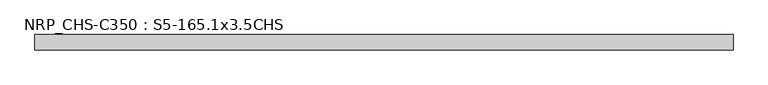
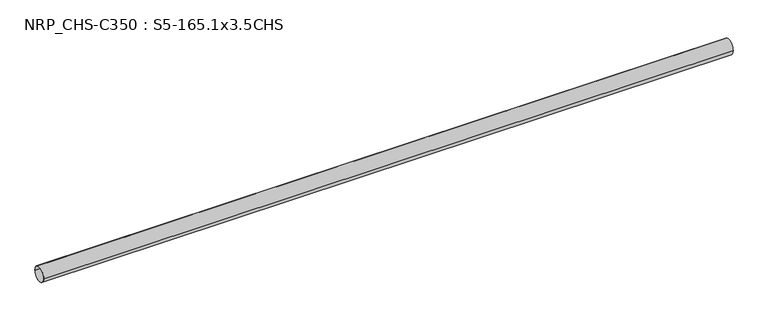
"""IFC4 building model written with IfcOpenShell, lengths in millimetres: beam geometry, NRP_CHS-C350 : S5-165.1x3.5CHS."""

from ifc_helpers import new_model, si_unit, point, frame, origin, origin_2d, place, context, project, spatial, circle_curve, trimmed, segment, composite_curve, outline, extrude, source, transform, mapped, element, save


def nrp_chs_c350_s5_165_1x3_5chs_37d684ca(model_context):
    return source(origin(), model_context, "Body", "SweptSolid", [
        extrude(outline(composite_curve([segment(trimmed(circle_curve(origin_2d(), 82.55), [point((-82.55, 0.0))], [point((82.55, 0.0))], False, "CARTESIAN"), True, "CONTINUOUS"), segment(trimmed(circle_curve(origin_2d(), 82.55), [point((82.55, 0.0))], [point((-82.55, 0.0))], False, "CARTESIAN"), True, "CONTINUOUS")], self_intersect=False), holes=[composite_curve([segment(trimmed(circle_curve(origin_2d(), 79.05), [point((79.05, 0.0))], [point((-79.05, 0.0))], True, "CARTESIAN"), True, "CONTINUOUS"), segment(trimmed(circle_curve(origin_2d(), 79.05), [point((-79.05, 0.0))], [point((79.05, 0.0))], True, "CARTESIAN"), True, "CONTINUOUS")], self_intersect=False)]), frame((-3743.65, 0.0, 0.0), z_axis=(1.0, 0.0, 0.0), x_axis=(0.0, 1.0, 0.0)), (0.0, 0.0, 1.0), 7507.2),
    ])


if __name__ == "__main__":
    model = new_model("IFC4")
    model_context = context("Model", 3, world=origin())
    ifc_project = project(units=[si_unit("LENGTHUNIT", "METRE", prefix="MILLI")], contexts=[model_context])
    site = spatial("IfcSite", under=ifc_project)
    building = spatial("IfcBuilding", under=site)
    placement = place(None, origin())
    nrp_chs_c350_s5_165_1x3_5chs_shape = nrp_chs_c350_s5_165_1x3_5chs_37d684ca(model_context)
    element("IfcBeam", 1, ObjectType="NRP_CHS-C350 : S5-165.1x3.5CHS", at=placement, inside=building, context=model_context, shape_type="MappedRepresentation", body=[
        mapped(nrp_chs_c350_s5_165_1x3_5chs_shape, transform((0.0, 0.0, 0.0), x_axis=(1.0, 0.0, 0.0), y_axis=(0.0, 1.0, 0.0), z_axis=(0.0, 0.0, 1.0))),
    ])
    save(model, "model.ifc")
